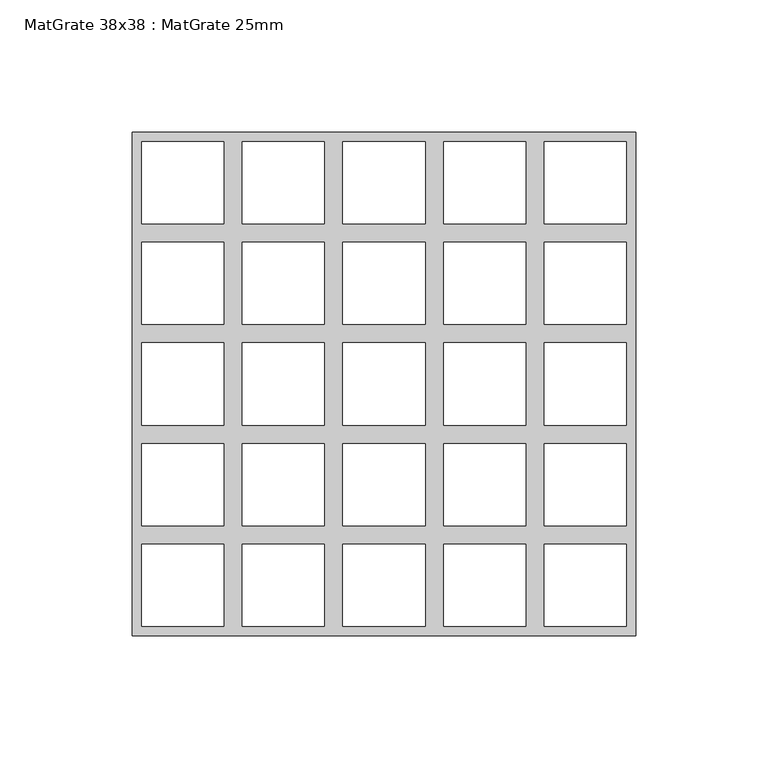
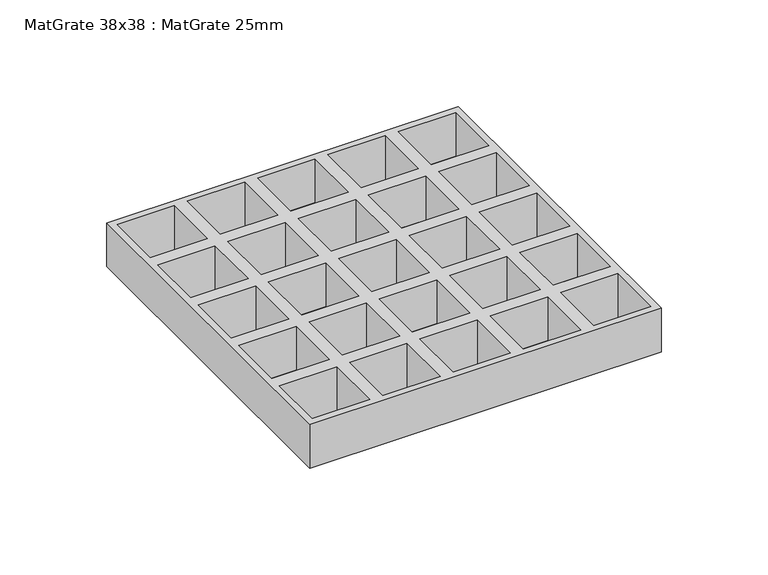
"""IFC4 building model written with IfcOpenShell, lengths in millimetres: proxy geometry, MatGrate 38x38 : MatGrate 25mm."""

from ifc_helpers import new_model, si_unit, origin, origin_with_axes, place, context, project, spatial, polyline, outline, extrude, source, transform, mapped, element, save


def matgrate_38x38_matgrate_25mm_fbcf3b38(model_context):
    return source(origin(), model_context, "Body", "SweptSolid", [
        extrude(outline(polyline([(95.0, -95.0), (-95.0, -95.0), (-95.0, 95.0), (95.0, 95.0), (95.0, -95.0)]), holes=[polyline([(91.5, 60.5), (91.5, 91.5), (60.5, 91.5), (60.5, 60.5), (91.5, 60.5)]), polyline([(60.5, 53.5), (60.5, 22.5), (91.5, 22.5), (91.5, 53.5), (60.5, 53.5)]), polyline([(60.5, 15.5), (60.5, -15.5), (91.5, -15.5), (91.5, 15.5), (60.5, 15.5)]), polyline([(60.5, -22.5), (60.5, -53.5), (91.5, -53.5), (91.5, -22.5), (60.5, -22.5)]), polyline([(60.5, -60.5), (60.5, -91.5), (91.5, -91.5), (91.5, -60.5), (60.5, -60.5)]), polyline([(53.5, -60.5), (22.5, -60.5), (22.5, -91.5), (53.5, -91.5), (53.5, -60.5)]), polyline([(15.5, -60.5), (-15.5, -60.5), (-15.5, -91.5), (15.5, -91.5), (15.5, -60.5)]), polyline([(-22.5, -60.5), (-53.5, -60.5), (-53.5, -91.5), (-22.5, -91.5), (-22.5, -60.5)]), polyline([(-60.5, -60.5), (-91.5, -60.5), (-91.5, -91.5), (-60.5, -91.5), (-60.5, -60.5)]), polyline([(-91.5, 60.5), (-60.5, 60.5), (-60.5, 91.5), (-91.5, 91.5), (-91.5, 60.5)]), polyline([(-53.5, 60.5), (-22.5, 60.5), (-22.5, 91.5), (-53.5, 91.5), (-53.5, 60.5)]), polyline([(-15.5, 60.5), (15.5, 60.5), (15.5, 91.5), (-15.5, 91.5), (-15.5, 60.5)]), polyline([(22.5, 60.5), (53.5, 60.5), (53.5, 91.5), (22.5, 91.5), (22.5, 60.5)]), polyline([(-91.5, 53.5), (-91.5, 22.5), (-60.5, 22.5), (-60.5, 53.5), (-91.5, 53.5)]), polyline([(-53.5, 53.5), (-53.5, 22.5), (-22.5, 22.5), (-22.5, 53.5), (-53.5, 53.5)]), polyline([(-15.5, 53.5), (-15.5, 22.5), (15.5, 22.5), (15.5, 53.5), (-15.5, 53.5)]), polyline([(22.5, 53.5), (22.5, 22.5), (53.5, 22.5), (53.5, 53.5), (22.5, 53.5)]), polyline([(-91.5, 15.5), (-91.5, -15.5), (-60.5, -15.5), (-60.5, 15.5), (-91.5, 15.5)]), polyline([(-53.5, 15.5), (-53.5, -15.5), (-22.5, -15.5), (-22.5, 15.5), (-53.5, 15.5)]), polyline([(-15.5, 15.5), (-15.5, -15.5), (15.5, -15.5), (15.5, 15.5), (-15.5, 15.5)]), polyline([(22.5, 15.5), (22.5, -15.5), (53.5, -15.5), (53.5, 15.5), (22.5, 15.5)]), polyline([(-91.5, -22.5), (-91.5, -53.5), (-60.5, -53.5), (-60.5, -22.5), (-91.5, -22.5)]), polyline([(-53.5, -22.5), (-53.5, -53.5), (-22.5, -53.5), (-22.5, -22.5), (-53.5, -22.5)]), polyline([(-15.5, -22.5), (-15.5, -53.5), (15.5, -53.5), (15.5, -22.5), (-15.5, -22.5)]), polyline([(22.5, -22.5), (22.5, -53.5), (53.5, -53.5), (53.5, -22.5), (22.5, -22.5)])]), origin_with_axes(), (0.0, 0.0, 1.0), 25.0),
    ])


if __name__ == "__main__":
    model = new_model("IFC4")
    model_context = context("Model", 3, world=origin())
    ifc_project = project(units=[si_unit("LENGTHUNIT", "METRE", prefix="MILLI")], contexts=[model_context])
    site = spatial("IfcSite", under=ifc_project)
    building = spatial("IfcBuilding", under=site)
    placement = place(None, origin())
    matgrate_38x38_matgrate_25mm_shape = matgrate_38x38_matgrate_25mm_fbcf3b38(model_context)
    element("IfcBuildingElementProxy", 1, Name="MatGrate 38x38 : MatGrate 25mm", ObjectType="MatGrate 38x38 : MatGrate 25mm", at=placement, inside=building, context=model_context, shape_type="MappedRepresentation", body=[
        mapped(matgrate_38x38_matgrate_25mm_shape, transform((0.0, 0.0, 0.0), x_axis=(1.0, 0.0, 0.0), y_axis=(0.0, 1.0, 0.0), z_axis=(0.0, 0.0, 1.0))),
    ])
    save(model, "model.ifc")
